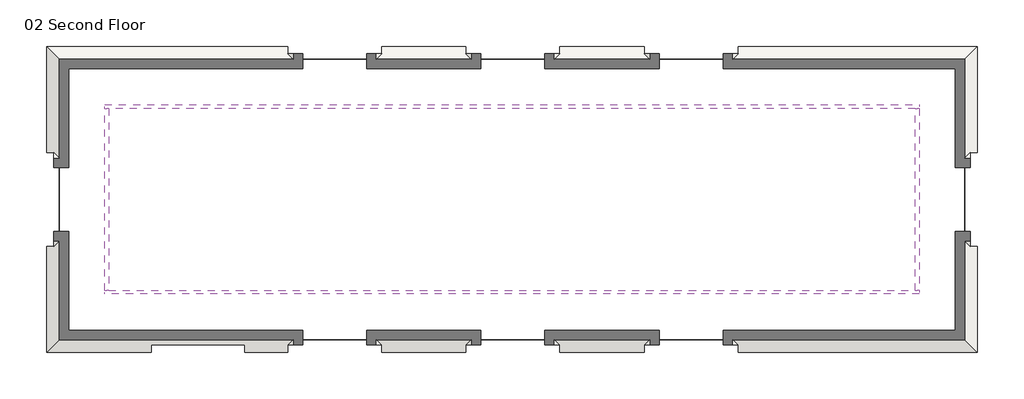
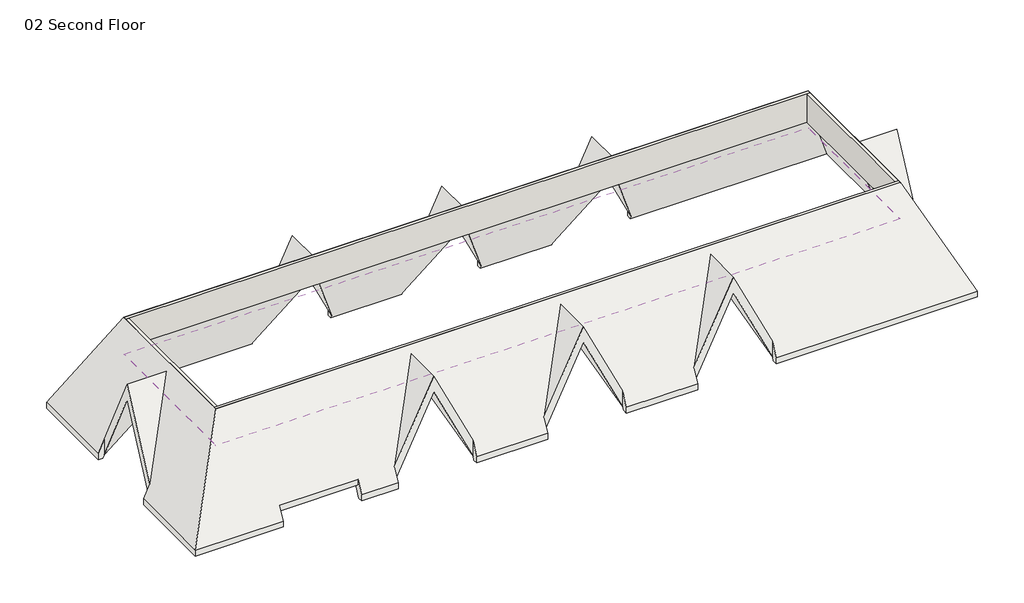
# One storey: 4 walls, 2 roofs.
"""IFC4 building model written with IfcOpenShell, lengths in millimetres."""

import ifcopenshell
import ifcopenshell.guid

model = None  # the IFC model being written
_history = None  # IfcOwnerHistory: only IFC2X3 demands one
_inside = {}  # id of a spatial element -> (the spatial element, [elements in it])
_under = {}  # id of a project, library or spatial element -> (it, [spatial elements below it])
_declared = {}  # id of a project -> (the project, [libraries it declares])
_typed = {}  # id of a type object -> (the type object, [elements of that type])
_made_of = {}  # id of a material, layer set ... -> (it, [elements and type objects made of it])


def new_model(schema):
    """Start an empty IFC model of exactly this schema.

    Asked for "IFC4X3", IfcOpenShell would pick the latest addendum, in which some entities
    have other attributes; the version numbers below select the first issue.
    IFC2X3 requires an IfcOwnerHistory on every rooted entity: one is made here for all.
    """
    global model, _history
    if schema == "IFC4X3":
        model = ifcopenshell.file(schema_version=(4, 3, 0, 0))
    else:
        model = ifcopenshell.file(schema=schema)
    _inside.clear()
    _under.clear()
    _declared.clear()
    _typed.clear()
    _made_of.clear()
    _history = None
    if model.schema == "IFC2X3":
        org = make("IfcOrganization", Name="unknown")
        user = make(
            "IfcPersonAndOrganization",
            ThePerson=make("IfcPerson", FamilyName="unknown"),
            TheOrganization=org,
        )
        app = make(
            "IfcApplication",
            ApplicationDeveloper=org,
            Version="unknown",
            ApplicationFullName="unknown",
            ApplicationIdentifier="unknown",
        )
        _history = make(
            "IfcOwnerHistory",
            OwningUser=user,
            OwningApplication=app,
            ChangeAction="ADDED",
            CreationDate=0,
        )
    return model


def make(cls, **values):
    """One entity of the class cls with the attributes given. An attribute that is None is left unset."""
    return model.create_entity(
        cls, **{name: value for name, value in values.items() if value is not None}
    )


def rooted(cls, **values):
    """An entity with a GlobalId (a new one), such as an element, a storey or a relation."""
    return make(cls, GlobalId=ifcopenshell.guid.new(), OwnerHistory=_history, **values)


def si_unit(unit_type, name, prefix=None):
    """IfcSIUnit, for example si_unit("LENGTHUNIT", "METRE", prefix="MILLI")."""
    return make("IfcSIUnit", UnitType=unit_type, Prefix=prefix, Name=name)


def assignment(units):
    """IfcUnitAssignment: the units of a project."""
    return None if units is None else make("IfcUnitAssignment", Units=units)


def point(xyz):
    """IfcCartesianPoint."""
    return None if xyz is None else make("IfcCartesianPoint", Coordinates=xyz)


def direction(xyz):
    """IfcDirection."""
    return None if xyz is None else make("IfcDirection", DirectionRatios=xyz)


def frame(location, z_axis=None, x_axis=None):
    """IfcAxis2Placement3D, a coordinate frame: its origin and axes. An axis left out is left unset."""
    return make(
        "IfcAxis2Placement3D",
        Location=point(location),
        Axis=direction(z_axis),
        RefDirection=direction(x_axis),
    )


def origin():
    """The frame at (0, 0, 0) with its axes left unset."""
    return frame((0.0, 0.0, 0.0))


def place(relative_to, where):
    """IfcLocalPlacement: puts the frame where relative to a parent placement (None: the world)."""
    return make(
        "IfcLocalPlacement", PlacementRelTo=relative_to, RelativePlacement=where
    )


def context(
    kind, dimensions, precision=None, world=None, true_north=None, identifier=None
):
    """IfcGeometricRepresentationContext, for example the 3D "Model" context."""
    return make(
        "IfcGeometricRepresentationContext",
        ContextIdentifier=identifier,
        ContextType=kind,
        CoordinateSpaceDimension=dimensions,
        Precision=precision,
        WorldCoordinateSystem=world,
        TrueNorth=true_north,
    )


def project(units=None, contexts=None):
    """IfcProject with its units and contexts."""
    return rooted(
        "IfcProject",
        Name="project",
        RepresentationContexts=contexts,
        UnitsInContext=assignment(units),
    )


def spatial(cls, under=None, at=None, **own):
    """A site, building, storey or space (cls), placed at a placement, below another one or the project."""
    s = rooted(cls, ObjectPlacement=at, **own)
    if under is not None:
        _under.setdefault(under.id(), (under, []))[1].append(s)
    return s


def polyline(points):
    """IfcPolyline through the points."""
    return make("IfcPolyline", Points=[point(p) for p in points])


def outline(outer, holes=None, kind="AREA"):
    """IfcArbitraryClosedProfileDef: a profile drawn as a closed curve; with holes, ...WithVoids."""
    if holes is None:
        return make("IfcArbitraryClosedProfileDef", ProfileType=kind, OuterCurve=outer)
    return make(
        "IfcArbitraryProfileDefWithVoids",
        ProfileType=kind,
        OuterCurve=outer,
        InnerCurves=holes,
    )


def extrude(swept, where, along, depth):
    """IfcExtrudedAreaSolid: the profile swept, set in the frame where, extruded along a direction by depth."""
    return make(
        "IfcExtrudedAreaSolid",
        SweptArea=swept,
        Position=where,
        ExtrudedDirection=direction(along),
        Depth=depth,
    )


def faces_of(points, faces, orient=None, outer=None):
    """IfcFace entities. A face is a list of loops; a loop is a list of indices into points, from 0.

    orient and outer hold one flag for each loop. By default every Orientation is true, the
    first loop of a face is its IfcFaceOuterBound and the others are IfcFaceBound.
    """
    made = []
    for i, loops in enumerate(faces):
        bounds = []
        for j, loop in enumerate(loops):
            is_outer = j == 0 if outer is None else outer[i][j]
            bounds.append(
                make(
                    "IfcFaceOuterBound" if is_outer else "IfcFaceBound",
                    Bound=make("IfcPolyLoop", Polygon=[points[k] for k in loop]),
                    Orientation=True if orient is None else orient[i][j],
                )
            )
        made.append(make("IfcFace", Bounds=bounds))
    return made


def faceted_brep(points, faces, orient=None, outer=None, voids=None):
    """IfcFacetedBrep: a solid bounded by flat faces; with voids (closed shells), ...WithVoids."""
    shared = [point(p) for p in points]
    hull = make("IfcClosedShell", CfsFaces=faces_of(shared, faces, orient, outer))
    if voids is None:
        return make("IfcFacetedBrep", Outer=hull)
    return make(
        "IfcFacetedBrepWithVoids",
        Outer=hull,
        Voids=[
            make(cls, CfsFaces=faces_of(shared, fs, o, b)) for cls, fs, o, b in voids
        ],
    )


def shape(context_of_items, identifier, shape_type, items):
    """IfcShapeRepresentation: the items that make up one representation, for example the "Body"."""
    return make(
        "IfcShapeRepresentation",
        ContextOfItems=context_of_items,
        RepresentationIdentifier=identifier,
        RepresentationType=shape_type,
        Items=items,
    )


def made_of(thing, what):
    """Note that an element or type object is made of a material, layer set ...; save() writes the relation."""
    if what is not None:
        _made_of.setdefault(what.id(), (what, []))[1].append(thing)
    return thing


def element(
    cls,
    number,
    at=None,
    inside=None,
    cuts=None,
    type_object=None,
    material=None,
    context=None,
    identifier="Body",
    shape_type=None,
    held_by="IfcProductDefinitionShape",
    body=None,
    shapes=None,
    **own,
):
    """One element of the class cls, such as IfcWall. Its Tag is "e" and its number.

    at: its placement. inside: the storey or other place that contains it. cuts: it is an
    opening in that element (IfcRelVoidsElement). A single representation is given by context,
    identifier, shape_type and body (its items); several are given by shapes. held_by: the class
    of the entity that holds the representations. save() writes the other relations.
    """
    e = rooted(cls, Tag="e%d" % number, ObjectPlacement=at, **own)
    if body is not None:
        shapes = [shape(context, identifier, shape_type, body)]
    if shapes is not None:
        e.Representation = make(held_by, Representations=shapes)
    if inside is not None:
        _inside.setdefault(inside.id(), (inside, []))[1].append(e)
    if cuts is not None:
        rooted(
            "IfcRelVoidsElement", RelatingBuildingElement=cuts, RelatedOpeningElement=e
        )
    if type_object is not None:
        _typed.setdefault(type_object.id(), (type_object, []))[1].append(e)
    return made_of(e, material)


def aggregate(whole, parts):
    """IfcRelAggregates: a whole, such as a stair, and the parts it consists of."""
    return rooted("IfcRelAggregates", RelatingObject=whole, RelatedObjects=parts)


def save(model, path):
    """Write the relations noted so far, then the file.

    IfcRelAggregates (storeys below a building ...), IfcRelContainedInSpatialStructure (elements
    in a storey), IfcRelDefinesByType, IfcRelAssociatesMaterial and IfcRelDeclares: one each for
    every whole, place, type object, material and project.
    """
    for whole, parts in _under.values():
        aggregate(whole, parts)
    for where, things in _inside.values():
        rooted(
            "IfcRelContainedInSpatialStructure",
            RelatedElements=things,
            RelatingStructure=where,
        )
    for kind, things in _typed.values():
        rooted("IfcRelDefinesByType", RelatedObjects=things, RelatingType=kind)
    for what, things in _made_of.values():
        rooted("IfcRelAssociatesMaterial", RelatedObjects=things, RelatingMaterial=what)
    for by, libraries in _declared.values():
        rooted("IfcRelDeclares", RelatingContext=by, RelatedDefinitions=libraries)
    model.write(path)


model = new_model("IFC4")

# Units and contexts
model_context = context("Model", 3, world=origin())
ifc_project = project(units=[si_unit("LENGTHUNIT", "METRE", prefix="MILLI")], contexts=[model_context])

# Site, building, storey
site = spatial("IfcSite", under=ifc_project)
building = spatial("IfcBuilding", under=site)
storey = spatial("IfcBuildingStorey", under=building, Name="02 Second Floor", Elevation=5450.0)

# Roofs
placement = place(None, origin())
element("IfcRoof", 1, at=placement, inside=storey, context=model_context, shape_type="Brep", body=[
    faceted_brep([(607.4802165, -4662.0373901, 5623.0), (607.4802165, -4662.6170044, 5623.0), (-967.5197835, -4662.6170044, 8910.2785854), (-967.5197835, -3087.0373901, 8910.2785854), (3442.119438, -4662.6170044, 5623.0), (3442.119438, -4662.0373901, 5623.0), (5017.119438, -3087.1708659, 8910.0), (5017.119438, -4662.6170044, 8910.0), (6592.119438, -4662.0373901, 5623.0), (6592.119438, -4662.6170044, 5623.0), (9442.4802165, -4662.6170044, 5623.0), (9442.4802165, -4662.0373901, 5623.0), (11017.4802165, -3087.1708659, 8910.0), (11017.4802165, -4662.6170044, 8910.0), (12592.4802165, -4662.0373901, 5623.0), (12592.4802165, -4662.6170044, 5623.0), (20447.909825, 5193.9118602, 5503.8054097), (20447.909825, 1812.3829956, 5503.8054097), (20391.3809604, 1812.3829956, 5621.7902516), (20390.8013461, 1812.3829956, 5623.0), (18815.9348218, 237.3829956, 8910.0), (20390.8013461, -1337.6170044, 5623.0), (20391.3809604, -1337.6170044, 5621.7902516), (20447.909825, -1337.6170044, 5503.8054097), (20447.909825, -4719.145869, 5503.8054097), (18678.3809604, -2949.6170044, 9197.0970559), (18678.3809604, 3424.3829956, 9197.0970559), (20391.3809604, 237.3829956, 8910.0), (20391.3809604, -1337.6170044, 5623.0), (20391.3809604, 1812.3829956, 5623.0), (9442.4802165, 5136.8033813, 5623.0), (9442.4802165, 5137.3829956, 5623.0), (11017.4802165, 5137.3829956, 8910.0), (11017.4802165, 3561.936857, 8910.0), (3442.119438, 5136.8033813, 5623.0), (3442.119438, 5137.3829956, 5623.0), (5017.119438, 5137.3829956, 8910.0), (5017.119438, 3561.936857, 8910.0), (607.4802165, 5137.3829956, 5623.0), (607.4802165, 5136.8033813, 5623.0), (-967.5197835, 3561.8033813, 8910.2785854), (-967.5197835, 5137.3829956, 8910.2785854), (-10408.6190396, 237.3829956, 8910.0), (-10408.6190396, 1812.3829956, 5623.0), (-10408.0394254, 1812.3829956, 5623.0), (-8833.1729011, 237.3829956, 8910.0), (-10408.0394254, -1337.6170044, 5623.0), (-10408.6190396, -1337.6170044, 5623.0), (-10408.6190396, 1812.3829956, 5621.7902516), (-10465.1479043, 1812.3829956, 5503.8054097), (-10465.1479043, 5193.9118602, 5503.8054097), (-8695.6190396, 3424.3829956, 9197.0970559), (-8695.6190396, -2949.6170044, 9197.0970559), (-10465.1479043, -4719.145869, 5503.8054097), (-10465.1479043, -1337.6170044, 5503.8054097), (-10408.6190396, -1337.6170044, 5621.7902516), (-2542.5197835, -4662.6170044, 5623.0), (-2542.5197835, -4662.0373901, 5623.0), (6592.119438, 5137.3829956, 5623.0), (6592.119438, 5136.8033813, 5623.0), (-2542.5197835, 5136.8033813, 5623.0), (-2542.5197835, 5137.3829956, 5623.0), (12592.4802165, 5136.8033813, 5623.0), (12592.4802165, 5137.3829956, 5621.7902516), (12592.4802165, 5193.9118602, 5503.8054097), (-2542.5197835, 5193.9118602, 5503.8054097), (-2542.5197835, 5137.3829956, 5621.7902516), (607.4802165, 5137.3829956, 5621.7902516), (607.4802165, 5193.9118602, 5503.8054097), (3442.119438, 5193.9118602, 5503.8054097), (3442.119438, 5137.3829956, 5621.7902516), (6592.119438, 5137.3829956, 5621.7902516), (6592.119438, 5193.9118602, 5503.8054097), (9442.4802165, 5193.9118602, 5503.8054097), (9442.4802165, 5137.3829956, 5621.7902516), (-2542.5197835, -4662.6170044, 5621.7902516), (-2542.5197835, -4719.145869, 5503.8054097), (-3992.5197835, -4719.145869, 5503.8054097), (-3992.5197835, -4469.145869, 6025.5956613), (-7142.5197835, -4469.145869, 6025.5956613), (-7142.5197835, -4719.145869, 5503.8054097), (12592.4802165, -4719.145869, 5503.8054097), (12592.4802165, -4662.6170044, 5621.7902516), (9442.4802165, -4662.6170044, 5621.7902516), (9442.4802165, -4719.145869, 5503.8054097), (6592.119438, -4719.145869, 5503.8054097), (6592.119438, -4662.6170044, 5621.7902516), (3442.119438, -4662.6170044, 5621.7902516), (3442.119438, -4719.145869, 5503.8054097), (607.4802165, -4719.145869, 5503.8054097), (607.4802165, -4662.6170044, 5621.7902516), (12592.4802165, 5137.3829956, 5623.0), (607.4802165, -4662.6170044, 6276.8054097), (607.4802165, -4662.0373901, 6276.8054097), (-967.5197835, -3087.0373901, 9564.083995), (-967.5197835, -4662.6170044, 9564.083995), (6592.119438, -4662.6170044, 6276.7603468), (6592.119438, -4662.0589806, 6276.7603468), (5017.119438, -3087.1924564, 9563.7603468), (5017.119438, -4662.6170044, 9563.7603468), (9442.4802165, -4662.6170044, 6276.7603468), (11017.4802165, -4662.6170044, 9563.7603468), (11017.4802165, -3087.1924564, 9563.7603468), (9442.4802165, -4662.0589806, 6276.7603468), (12592.4802165, -4662.6170044, 6276.7603468), (12592.4802165, -4662.0589806, 6276.7603468), (20391.3809604, -1337.6170044, 6276.7603468), (20391.3809604, 237.3829956, 9563.7603468), (18815.9564123, 237.3829956, 9563.7603468), (20390.8229366, -1337.6170044, 6276.7603468), (20391.3809604, 1812.3829956, 6276.7603468), (20390.8229366, 1812.3829956, 6276.7603468), (9442.4802165, 5137.3829956, 6276.7603468), (9442.4802165, 5136.8249718, 6276.7603468), (11017.4802165, 3561.9584475, 9563.7603468), (11017.4802165, 5137.3829956, 9563.7603468), (6592.119438, 5137.3829956, 6276.7603468), (5017.119438, 5137.3829956, 9563.7603468), (5017.119438, 3561.9584475, 9563.7603468), (6592.119438, 5136.8249718, 6276.7603468), (3442.119438, 5137.3829956, 6276.7603468), (3442.119438, 5136.8249718, 6276.7603468), (607.4802165, 5137.3829956, 6276.7603468), (-967.5197835, 5137.3829956, 9563.7603468), (-967.5197835, 3561.9584475, 9563.7603468), (607.4802165, 5136.8249718, 6276.7603468), (-10408.6190396, 1812.3829956, 6276.7603468), (-10408.6190396, 237.3829956, 9563.7603468), (-8833.1944916, 237.3829956, 9563.7603468), (-10408.0610159, 1812.3829956, 6276.7603468), (-10408.6190396, -1337.6170044, 6276.7603468), (-10408.0610159, -1337.6170044, 6276.7603468), (-10408.6190396, -1337.6170044, 6275.5956613), (-10658.6190396, -1337.6170044, 5753.8054097), (-10658.6190396, -4912.6170044, 5753.8054097), (-8695.6190396, -2949.6170044, 9850.9024656), (-8695.6190396, 3424.3829956, 9850.9024656), (-10658.6190396, 5387.3829956, 5753.8054097), (-10658.6190396, 1812.3829956, 5753.8054097), (-10408.6190396, 1812.3829956, 6275.5956613), (3442.119438, -4662.0589806, 6276.7603468), (3442.119438, -4662.6170044, 6276.7603468), (20391.3809604, 1812.3829956, 6275.5956613), (20641.3809604, 1812.3829956, 5753.8054097), (20641.3809604, 5387.3829956, 5753.8054097), (18678.3809604, 3424.3829956, 9850.9024656), (18678.3809604, -2949.6170044, 9850.9024656), (20641.3809604, -4912.6170044, 5753.8054097), (20641.3809604, -1337.6170044, 5753.8054097), (20391.3809604, -1337.6170044, 6275.5956613), (-2542.5197835, -4662.0373901, 6276.8054097), (-2542.5197835, -4662.6170044, 6276.8054097), (-2542.5197835, 5137.3829956, 6276.7603468), (-2542.5197835, 5136.8249718, 6276.7603468), (9442.4802165, 5137.3829956, 6275.5956613), (9442.4802165, 5387.3829956, 5753.8054097), (6592.119438, 5387.3829956, 5753.8054097), (6592.119438, 5137.3829956, 6275.5956613), (3442.119438, 5137.3829956, 6275.5956613), (3442.119438, 5387.3829956, 5753.8054097), (607.4802165, 5387.3829956, 5753.8054097), (607.4802165, 5137.3829956, 6275.5956613), (-2542.5197835, 5137.3829956, 6275.5956613), (-2542.5197835, 5387.3829956, 5753.8054097), (12592.4802165, 5387.3829956, 5753.8054097), (12592.4802165, 5137.3829956, 6275.5956613), (12592.4802165, 5136.8249718, 6276.7603468), (607.4802165, -4662.6170044, 6275.5956613), (607.4802165, -4912.6170044, 5753.8054097), (3442.119438, -4912.6170044, 5753.8054097), (3442.119438, -4662.6170044, 6275.5956613), (6592.119438, -4662.6170044, 6275.5956613), (6592.119438, -4912.6170044, 5753.8054097), (9442.4802165, -4912.6170044, 5753.8054097), (9442.4802165, -4662.6170044, 6275.5956613), (12592.4802165, -4662.6170044, 6275.5956613), (12592.4802165, -4912.6170044, 5753.8054097), (-7142.5197835, -4912.6170044, 5753.8054097), (-7142.5197835, -4662.6170044, 6275.5956613), (-3992.5197835, -4662.6170044, 6275.5956613), (-3992.5197835, -4912.6170044, 5753.8054097), (-2542.5197835, -4912.6170044, 5753.8054097), (-2542.5197835, -4662.6170044, 6275.5956613), (12592.4802165, 5137.3829956, 6276.7603468), (607.4802165, -4912.6170044, 5503.8054097), (3442.119438, -4912.6170044, 5503.8054097), (6592.119438, -4912.6170044, 5503.8054097), (9442.4802165, -4912.6170044, 5503.8054097), (12592.4802165, -4912.6170044, 5503.8054097), (20641.3809604, -4912.6170044, 5503.8054097), (20641.3809604, -1337.6170044, 5503.8054097), (20641.3809604, 1812.3829956, 5503.8054097), (20641.3809604, 5387.3829956, 5503.8054097), (12592.4802165, 5387.3829956, 5503.8054097), (9442.4802165, 5387.3829956, 5503.8054097), (6592.119438, 5387.3829956, 5503.8054097), (3442.119438, 5387.3829956, 5503.8054097), (607.4802165, 5387.3829956, 5503.8054097), (-2542.5197835, 5387.3829956, 5503.8054097), (-10658.6190396, 5387.3829956, 5503.8054097), (-10658.6190396, 1812.3829956, 5503.8054097), (-10658.6190396, -1337.6170044, 5503.8054097), (-10658.6190396, -4912.6170044, 5503.8054097), (-7142.5197835, -4912.6170044, 5503.8054097), (-3992.5197835, -4912.6170044, 5503.8054097), (-2542.5197835, -4912.6170044, 5503.8054097), (-7142.5197835, -4662.6170044, 6025.5956613), (-3992.5197835, -4662.6170044, 6025.5956613)], [[[0, 1, 2, 3]], [[4, 5, 6, 7]], [[7, 6, 8, 9]], [[10, 11, 12, 13]], [[13, 12, 14, 15]], [[16, 17, 18, 19, 20, 21, 22, 23, 24, 25, 26]], [[21, 20, 27, 28]], [[20, 19, 29, 27]], [[30, 31, 32, 33]], [[34, 35, 36, 37]], [[38, 39, 40, 41]], [[42, 43, 44, 45]], [[42, 45, 46, 47]], [[45, 44, 48, 49, 50, 51, 52, 53, 54, 55, 46]], [[3, 2, 56, 57]], [[37, 36, 58, 59]], [[41, 40, 60, 61]], [[30, 33, 62, 63, 64, 16, 26, 51, 50, 65, 66, 60, 40, 39, 67, 68, 69, 70, 34, 37, 59, 71, 72, 73, 74]], [[0, 3, 57, 75, 76, 77, 78, 79, 80, 53, 52, 25, 24, 81, 82, 14, 12, 11, 83, 84, 85, 86, 8, 6, 5, 87, 88, 89, 90]], [[33, 32, 91, 62]], [[92, 93, 94, 95]], [[96, 97, 98, 99]], [[100, 101, 102, 103]], [[102, 101, 104, 105]], [[106, 107, 108, 109]], [[108, 107, 110, 111]], [[112, 113, 114, 115]], [[116, 117, 118, 119]], [[118, 117, 120, 121]], [[122, 123, 124, 125]], [[126, 127, 128, 129]], [[128, 127, 130, 131]], [[129, 128, 131, 132, 133, 134, 135, 136, 137, 138, 139]], [[99, 98, 140, 141]], [[109, 108, 111, 142, 143, 144, 145, 146, 147, 148, 149]], [[95, 94, 150, 151]], [[124, 123, 152, 153]], [[114, 113, 154, 155, 156, 157, 119, 118, 121, 158, 159, 160, 161, 125, 124, 153, 162, 163, 137, 136, 145, 144, 164, 165, 166]], [[94, 93, 167, 168, 169, 170, 140, 98, 97, 171, 172, 173, 174, 103, 102, 105, 175, 176, 147, 146, 135, 134, 177, 178, 179, 180, 181, 182, 150]], [[115, 114, 166, 183]], [[169, 168, 184, 185]], [[173, 172, 186, 187]], [[147, 176, 188, 189]], [[148, 147, 189, 190]], [[144, 143, 191, 192]], [[164, 144, 192, 193]], [[156, 155, 194, 195]], [[160, 159, 196, 197]], [[137, 163, 198, 199]], [[138, 137, 199, 200]], [[134, 133, 201, 202]], [[177, 134, 202, 203]], [[181, 180, 204, 205]], [[89, 88, 185, 184]], [[85, 84, 187, 186]], [[24, 23, 190, 189, 188, 81]], [[17, 16, 64, 193, 192, 191]], [[73, 72, 195, 194]], [[69, 68, 197, 196]], [[50, 49, 200, 199, 198, 65]], [[54, 53, 80, 203, 202, 201]], [[77, 76, 205, 204]], [[151, 150, 182]], [[57, 56, 182, 181, 205, 76, 75]], [[2, 1, 167, 92, 95, 151, 182, 56]], [[1, 0, 90, 89, 184, 168, 167]], [[93, 92, 167]], [[47, 46, 55, 54, 201, 133, 132]], [[131, 130, 132]], [[43, 42, 47, 132, 130, 127, 126, 139]], [[126, 129, 139]], [[44, 43, 139, 138, 200, 49, 48]], [[106, 109, 149]], [[22, 21, 28, 149, 148, 190, 23]], [[28, 27, 29, 142, 110, 107, 106, 149]], [[18, 17, 191, 143, 142, 29, 19]], [[111, 110, 142]], [[61, 60, 66, 65, 198, 163, 162]], [[153, 152, 162]], [[38, 41, 61, 162, 152, 123, 122, 161]], [[122, 125, 161]], [[39, 38, 161, 160, 197, 68, 67]], [[141, 140, 170]], [[5, 4, 170, 169, 185, 88, 87]], [[4, 7, 9, 171, 96, 99, 141, 170]], [[9, 8, 86, 85, 186, 172, 171]], [[97, 96, 171]], [[35, 34, 70, 69, 196, 159, 158]], [[121, 120, 158]], [[36, 35, 158, 120, 117, 116, 157, 58]], [[116, 119, 157]], [[59, 58, 157, 156, 195, 72, 71]], [[100, 103, 174]], [[11, 10, 174, 173, 187, 84, 83]], [[10, 13, 15, 175, 104, 101, 100, 174]], [[15, 14, 82, 81, 188, 176, 175]], [[105, 104, 175]], [[31, 30, 74, 73, 194, 155, 154]], [[113, 112, 154]], [[32, 31, 154, 112, 115, 183, 165, 91]], [[166, 165, 183]], [[63, 62, 91, 165, 164, 193, 64]], [[79, 206, 178, 177, 203, 80]], [[179, 178, 206, 207]], [[77, 204, 180, 179, 207, 78]], [[145, 26, 25, 146]], [[146, 25, 52, 135]], [[51, 136, 135, 52]], [[26, 145, 136, 51]], [[206, 79, 78, 207]]]),
])
element("IfcRoof", 2, ObjectType="Pitched - Warm Timber - Ins Over", at=placement, inside=storey, context=model_context, shape_type="Brep", body=[
    faceted_brep([(-8695.6190396, 3424.3829956, 8300.0), (18678.3809604, 3424.3829956, 8300.0), (18678.3809604, -2949.6170044, 8300.0), (-8695.6190396, -2949.6170044, 8300.0), (18678.3809604, 3424.3829956, 8650.5), (-8695.6190396, 3424.3829956, 8650.5), (-8695.6190396, 3301.3829956, 8650.5), (-8695.6190396, -2826.6170044, 8650.5), (-8695.6190396, -2949.6170044, 8650.5), (18678.3809604, -2949.6170044, 8650.5), (18678.3809604, -2826.6170044, 8650.5), (18678.3809604, 3301.3829956, 8650.5)], [[[0, 1, 2, 3]], [[4, 5, 6, 7, 8, 9, 10, 11]], [[5, 4, 1, 0]], [[8, 7, 6, 5, 0, 3]], [[9, 8, 3, 2]], [[4, 11, 10, 9, 2, 1]]]),
])

# Walls
element("IfcWall", 3, ObjectType="VERTICAL ROOF SECTION", at=placement, inside=storey, context=model_context, shape_type="Brep", body=[
    faceted_brep([(18678.3809604, 3301.3829956, 9850.9024656), (-8695.6190396, 3301.3829956, 9850.9024656), (-8695.6190396, 3301.3829956, 9850.0), (-8695.6190396, 3301.3829956, 8650.5), (-8572.6190396, 3301.3829956, 8650.5), (18555.3809604, 3301.3829956, 8650.5), (18678.3809604, 3301.3829956, 8650.5), (18678.3809604, 3301.3829956, 9850.0), (-8695.6190396, 3424.3829956, 9850.9024656), (18678.3809604, 3424.3829956, 9850.9024656), (18678.3809604, 3424.3829956, 8650.5), (-8695.6190396, 3424.3829956, 8650.5)], [[[0, 1, 2, 3, 4, 5, 6, 7]], [[8, 9, 10, 11]], [[1, 0, 9, 8]], [[1, 8, 11, 3, 2]], [[9, 0, 7, 6, 10]], [[6, 5, 4, 3, 11, 10]]]),
])
element("IfcWall", 4, ObjectType="VERTICAL ROOF SECTION", at=placement, inside=storey, context=model_context, shape_type="SweptSolid", body=[
    extrude(outline(polyline([(-8572.6190396, 3301.3829956), (-8572.6190396, -2826.6170044), (-8695.6190396, -2826.6170044), (-8695.6190396, 3301.3829956), (-8572.6190396, 3301.3829956)])), frame((0.0, 0.0, 8650.5), z_axis=(0.0, 0.0, 1.0), x_axis=(1.0, 0.0, 0.0)), (0.0, 0.0, 1.0), 1199.5),
])
element("IfcWall", 5, ObjectType="VERTICAL ROOF SECTION", at=placement, inside=storey, context=model_context, shape_type="Brep", body=[
    faceted_brep([(-8695.6190396, -2826.6170044, 9850.9024656), (18678.3809604, -2826.6170044, 9850.9024656), (18678.3809604, -2826.6170044, 9850.0), (18678.3809604, -2826.6170044, 8650.5), (18555.3809604, -2826.6170044, 8650.5), (-8572.6190396, -2826.6170044, 8650.5), (-8695.6190396, -2826.6170044, 8650.5), (-8695.6190396, -2826.6170044, 9850.0), (18678.3809604, -2949.6170044, 9850.9024656), (-8695.6190396, -2949.6170044, 9850.9024656), (-8695.6190396, -2949.6170044, 8650.5), (18678.3809604, -2949.6170044, 8650.5)], [[[0, 1, 2, 3, 4, 5, 6, 7]], [[8, 9, 10, 11]], [[1, 0, 9, 8]], [[9, 0, 7, 6, 10]], [[1, 8, 11, 3, 2]], [[6, 5, 4, 3, 11, 10]]]),
])
element("IfcWall", 6, ObjectType="VERTICAL ROOF SECTION", at=placement, inside=storey, context=model_context, shape_type="SweptSolid", body=[
    extrude(outline(polyline([(18555.3809604, -2826.6170044), (18555.3809604, 3301.3829956), (18678.3809604, 3301.3829956), (18678.3809604, -2826.6170044), (18555.3809604, -2826.6170044)])), frame((0.0, 0.0, 8650.5), z_axis=(0.0, 0.0, 1.0), x_axis=(1.0, 0.0, 0.0)), (0.0, 0.0, 1.0), 1199.5),
])

save(model, "model.ifc")
